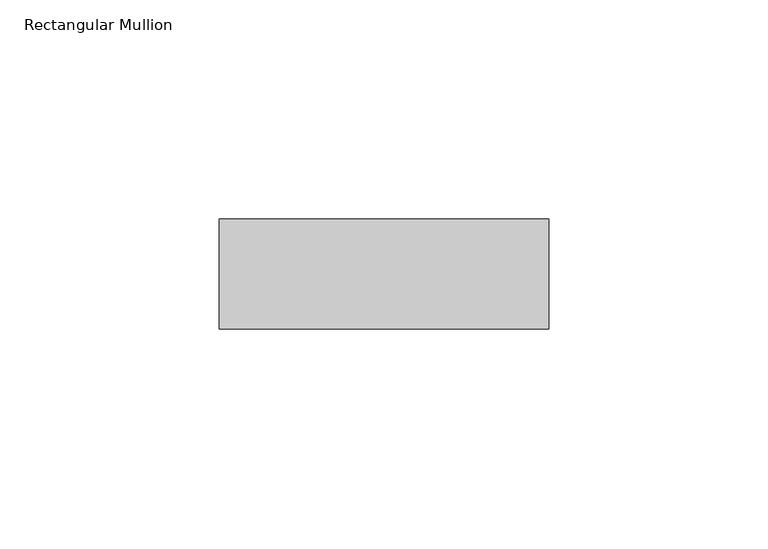
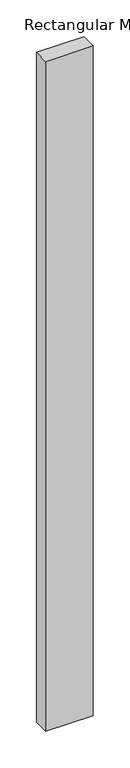
"""IFC4 building model written with IfcOpenShell, lengths in millimetres: member geometry, Rectangular Mullion."""

import ifcopenshell
import ifcopenshell.guid

model = None  # the IFC model being written
_history = None  # IfcOwnerHistory: only IFC2X3 demands one
_inside = {}  # id of a spatial element -> (the spatial element, [elements in it])
_under = {}  # id of a project, library or spatial element -> (it, [spatial elements below it])
_declared = {}  # id of a project -> (the project, [libraries it declares])
_typed = {}  # id of a type object -> (the type object, [elements of that type])
_made_of = {}  # id of a material, layer set ... -> (it, [elements and type objects made of it])


def new_model(schema):
    """Start an empty IFC model of exactly this schema.

    Asked for "IFC4X3", IfcOpenShell would pick the latest addendum, in which some entities
    have other attributes; the version numbers below select the first issue.
    IFC2X3 requires an IfcOwnerHistory on every rooted entity: one is made here for all.
    """
    global model, _history
    if schema == "IFC4X3":
        model = ifcopenshell.file(schema_version=(4, 3, 0, 0))
    else:
        model = ifcopenshell.file(schema=schema)
    _inside.clear()
    _under.clear()
    _declared.clear()
    _typed.clear()
    _made_of.clear()
    _history = None
    if model.schema == "IFC2X3":
        org = make("IfcOrganization", Name="unknown")
        user = make(
            "IfcPersonAndOrganization",
            ThePerson=make("IfcPerson", FamilyName="unknown"),
            TheOrganization=org,
        )
        app = make(
            "IfcApplication",
            ApplicationDeveloper=org,
            Version="unknown",
            ApplicationFullName="unknown",
            ApplicationIdentifier="unknown",
        )
        _history = make(
            "IfcOwnerHistory",
            OwningUser=user,
            OwningApplication=app,
            ChangeAction="ADDED",
            CreationDate=0,
        )
    return model


def make(cls, **values):
    """One entity of the class cls with the attributes given. An attribute that is None is left unset."""
    return model.create_entity(
        cls, **{name: value for name, value in values.items() if value is not None}
    )


def rooted(cls, **values):
    """An entity with a GlobalId (a new one), such as an element, a storey or a relation."""
    return make(cls, GlobalId=ifcopenshell.guid.new(), OwnerHistory=_history, **values)


def si_unit(unit_type, name, prefix=None):
    """IfcSIUnit, for example si_unit("LENGTHUNIT", "METRE", prefix="MILLI")."""
    return make("IfcSIUnit", UnitType=unit_type, Prefix=prefix, Name=name)


def assignment(units):
    """IfcUnitAssignment: the units of a project."""
    return None if units is None else make("IfcUnitAssignment", Units=units)


def point(xyz):
    """IfcCartesianPoint."""
    return None if xyz is None else make("IfcCartesianPoint", Coordinates=xyz)


def direction(xyz):
    """IfcDirection."""
    return None if xyz is None else make("IfcDirection", DirectionRatios=xyz)


def frame(location, z_axis=None, x_axis=None):
    """IfcAxis2Placement3D, a coordinate frame: its origin and axes. An axis left out is left unset."""
    return make(
        "IfcAxis2Placement3D",
        Location=point(location),
        Axis=direction(z_axis),
        RefDirection=direction(x_axis),
    )


def origin():
    """The frame at (0, 0, 0) with its axes left unset."""
    return frame((0.0, 0.0, 0.0))


def place(relative_to, where):
    """IfcLocalPlacement: puts the frame where relative to a parent placement (None: the world)."""
    return make(
        "IfcLocalPlacement", PlacementRelTo=relative_to, RelativePlacement=where
    )


def context(
    kind, dimensions, precision=None, world=None, true_north=None, identifier=None
):
    """IfcGeometricRepresentationContext, for example the 3D "Model" context."""
    return make(
        "IfcGeometricRepresentationContext",
        ContextIdentifier=identifier,
        ContextType=kind,
        CoordinateSpaceDimension=dimensions,
        Precision=precision,
        WorldCoordinateSystem=world,
        TrueNorth=true_north,
    )


def project(units=None, contexts=None):
    """IfcProject with its units and contexts."""
    return rooted(
        "IfcProject",
        Name="project",
        RepresentationContexts=contexts,
        UnitsInContext=assignment(units),
    )


def spatial(cls, under=None, at=None, **own):
    """A site, building, storey or space (cls), placed at a placement, below another one or the project."""
    s = rooted(cls, ObjectPlacement=at, **own)
    if under is not None:
        _under.setdefault(under.id(), (under, []))[1].append(s)
    return s


def polyline(points):
    """IfcPolyline through the points."""
    return make("IfcPolyline", Points=[point(p) for p in points])


def outline(outer, holes=None, kind="AREA"):
    """IfcArbitraryClosedProfileDef: a profile drawn as a closed curve; with holes, ...WithVoids."""
    if holes is None:
        return make("IfcArbitraryClosedProfileDef", ProfileType=kind, OuterCurve=outer)
    return make(
        "IfcArbitraryProfileDefWithVoids",
        ProfileType=kind,
        OuterCurve=outer,
        InnerCurves=holes,
    )


def extrude(swept, where, along, depth):
    """IfcExtrudedAreaSolid: the profile swept, set in the frame where, extruded along a direction by depth."""
    return make(
        "IfcExtrudedAreaSolid",
        SweptArea=swept,
        Position=where,
        ExtrudedDirection=direction(along),
        Depth=depth,
    )


def shape(context_of_items, identifier, shape_type, items):
    """IfcShapeRepresentation: the items that make up one representation, for example the "Body"."""
    return make(
        "IfcShapeRepresentation",
        ContextOfItems=context_of_items,
        RepresentationIdentifier=identifier,
        RepresentationType=shape_type,
        Items=items,
    )


def source(mapping_origin, context_of_items, identifier, shape_type, items):
    """IfcRepresentationMap: a shape defined once, which mapped items show again and again."""
    return make(
        "IfcRepresentationMap",
        MappingOrigin=mapping_origin,
        MappedRepresentation=shape(context_of_items, identifier, shape_type, items),
    )


def transform(
    local_origin,
    x_axis=None,
    y_axis=None,
    z_axis=None,
    scale=None,
    scale2=None,
    scale3=None,
    uniform=True,
):
    """IfcCartesianTransformationOperator3D, or its non-uniform kind. x_axis, y_axis, z_axis: its Axis1, 2, 3."""
    if uniform:
        return make(
            "IfcCartesianTransformationOperator3D",
            Axis1=direction(x_axis),
            Axis2=direction(y_axis),
            LocalOrigin=point(local_origin),
            Scale=scale,
            Axis3=direction(z_axis),
        )
    return make(
        "IfcCartesianTransformationOperator3DnonUniform",
        Axis1=direction(x_axis),
        Axis2=direction(y_axis),
        LocalOrigin=point(local_origin),
        Scale=scale,
        Axis3=direction(z_axis),
        Scale2=scale2,
        Scale3=scale3,
    )


def mapped(mapping_source, mapping_target):
    """IfcMappedItem: shows the shape of a source again, moved by a transform."""
    return make(
        "IfcMappedItem", MappingSource=mapping_source, MappingTarget=mapping_target
    )


def made_of(thing, what):
    """Note that an element or type object is made of a material, layer set ...; save() writes the relation."""
    if what is not None:
        _made_of.setdefault(what.id(), (what, []))[1].append(thing)
    return thing


def element(
    cls,
    number,
    at=None,
    inside=None,
    cuts=None,
    type_object=None,
    material=None,
    context=None,
    identifier="Body",
    shape_type=None,
    held_by="IfcProductDefinitionShape",
    body=None,
    shapes=None,
    **own,
):
    """One element of the class cls, such as IfcWall. Its Tag is "e" and its number.

    at: its placement. inside: the storey or other place that contains it. cuts: it is an
    opening in that element (IfcRelVoidsElement). A single representation is given by context,
    identifier, shape_type and body (its items); several are given by shapes. held_by: the class
    of the entity that holds the representations. save() writes the other relations.
    """
    e = rooted(cls, Tag="e%d" % number, ObjectPlacement=at, **own)
    if body is not None:
        shapes = [shape(context, identifier, shape_type, body)]
    if shapes is not None:
        e.Representation = make(held_by, Representations=shapes)
    if inside is not None:
        _inside.setdefault(inside.id(), (inside, []))[1].append(e)
    if cuts is not None:
        rooted(
            "IfcRelVoidsElement", RelatingBuildingElement=cuts, RelatedOpeningElement=e
        )
    if type_object is not None:
        _typed.setdefault(type_object.id(), (type_object, []))[1].append(e)
    return made_of(e, material)


def aggregate(whole, parts):
    """IfcRelAggregates: a whole, such as a stair, and the parts it consists of."""
    return rooted("IfcRelAggregates", RelatingObject=whole, RelatedObjects=parts)


def save(model, path):
    """Write the relations noted so far, then the file.

    IfcRelAggregates (storeys below a building ...), IfcRelContainedInSpatialStructure (elements
    in a storey), IfcRelDefinesByType, IfcRelAssociatesMaterial and IfcRelDeclares: one each for
    every whole, place, type object, material and project.
    """
    for whole, parts in _under.values():
        aggregate(whole, parts)
    for where, things in _inside.values():
        rooted(
            "IfcRelContainedInSpatialStructure",
            RelatedElements=things,
            RelatingStructure=where,
        )
    for kind, things in _typed.values():
        rooted("IfcRelDefinesByType", RelatedObjects=things, RelatingType=kind)
    for what, things in _made_of.values():
        rooted("IfcRelAssociatesMaterial", RelatedObjects=things, RelatingMaterial=what)
    for by, libraries in _declared.values():
        rooted("IfcRelDeclares", RelatingContext=by, RelatedDefinitions=libraries)
    model.write(path)


def rectangular_mullion_81368910(model_context):
    return source(origin(), model_context, "Body", "SweptSolid", [
        extrude(outline(polyline([(50.0, -2.5), (50.0, -27.5), (-25.0, -27.5), (-25.0, -2.5), (50.0, -2.5)])), frame((0.0, 0.0, -1115.0), z_axis=(0.0, 0.0, 1.0), x_axis=(1.0, 0.0, 0.0)), (0.0, 0.0, 1.0), 1115.0),
    ])


if __name__ == "__main__":
    model = new_model("IFC4")
    model_context = context("Model", 3, world=origin())
    ifc_project = project(units=[si_unit("LENGTHUNIT", "METRE", prefix="MILLI")], contexts=[model_context])
    site = spatial("IfcSite", under=ifc_project)
    building = spatial("IfcBuilding", under=site)
    placement = place(None, origin())
    rectangular_mullion_shape = rectangular_mullion_81368910(model_context)
    element("IfcMember", 1, ObjectType="Rectangular Mullion", at=placement, inside=building, context=model_context, shape_type="MappedRepresentation", body=[
        mapped(rectangular_mullion_shape, transform((0.0, 0.0, 0.0), x_axis=(1.0, 0.0, 0.0), y_axis=(0.0, 1.0, 0.0), z_axis=(0.0, 0.0, 1.0))),
    ])
    save(model, "model.ifc")
